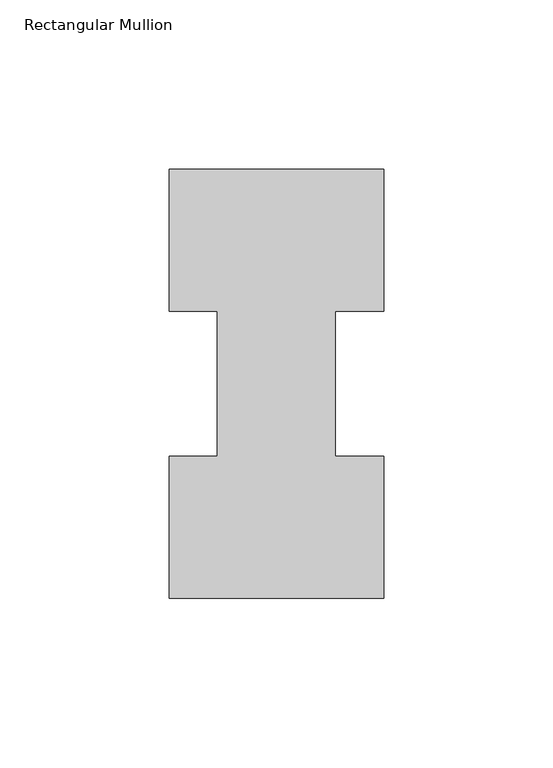
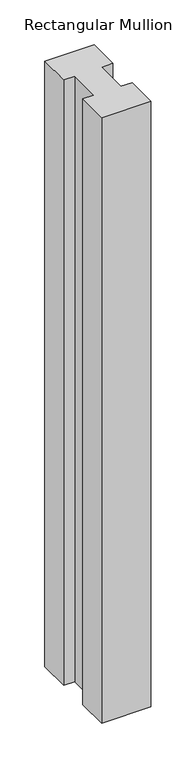
"""IFC4 building model written with IfcOpenShell, lengths in millimetres: member geometry, Rectangular Mullion."""

from ifc_helpers import new_model, si_unit, frame, origin, place, context, project, spatial, polyline, outline, extrude, source, transform, mapped, element, save


def rectangular_mullion_4034c65c(model_context):
    return source(origin(), model_context, "Body", "SweptSolid", [
        extrude(outline(polyline([(-31.75, 127.00635), (31.75, 127.00635), (31.75, 84.93125), (17.4625, 84.93125), (17.4625, 42.08145), (31.75, 42.08145), (31.75, 0.00635), (-31.75, 0.00635), (-31.75, 42.08145), (-17.4625, 42.08145), (-17.4625, 84.93125), (-31.75, 84.93125), (-31.75, 127.00635)])), frame((0.0, 0.0, -825.5227299), z_axis=(0.0, 0.0, 1.0), x_axis=(1.0, 0.0, 0.0)), (0.0, 0.0, 1.0), 825.5227299),
    ])


if __name__ == "__main__":
    model = new_model("IFC4")
    model_context = context("Model", 3, world=origin())
    ifc_project = project(units=[si_unit("LENGTHUNIT", "METRE", prefix="MILLI")], contexts=[model_context])
    site = spatial("IfcSite", under=ifc_project)
    building = spatial("IfcBuilding", under=site)
    placement = place(None, origin())
    rectangular_mullion_shape = rectangular_mullion_4034c65c(model_context)
    element("IfcMember", 1, ObjectType="Rectangular Mullion", at=placement, inside=building, context=model_context, shape_type="MappedRepresentation", body=[
        mapped(rectangular_mullion_shape, transform((0.0, 0.0, 0.0), x_axis=(1.0, 0.0, 0.0), y_axis=(0.0, 1.0, 0.0), z_axis=(0.0, 0.0, 1.0))),
    ])
    save(model, "model.ifc")
